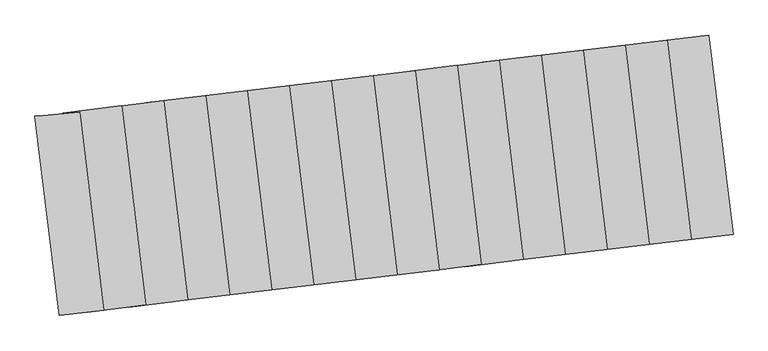
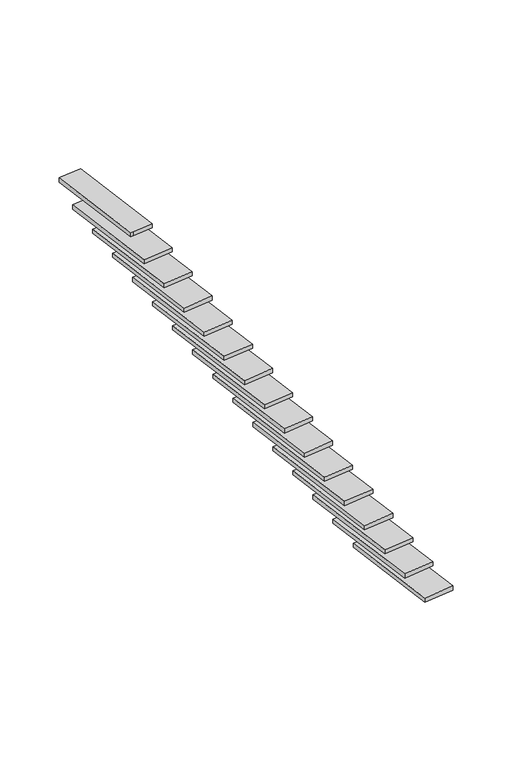
"""IFC4 building model written with IfcOpenShell, lengths in millimetres: stair flight geometry."""

from ifc_helpers import new_model, si_unit, frame, origin, place, context, project, spatial, polyline, outline, extrude, source, transform, mapped, element, save


def stair_flight_ac6dd1c2(model_context):
    return source(origin(), model_context, "Body", "SweptSolid", [
        extrude(outline(polyline([(-135038.0845867, 41648.3290981), (-135123.7489673, 42356.5103635), (-134915.2686979, 42381.7289537), (-134829.6043174, 41673.5476883), (-135038.0845867, 41648.3290981)])), frame((0.0, 0.0, 11338.8973782), z_axis=(0.0, 0.0, 1.0), x_axis=(1.0, 0.0, 0.0)), (0.0, 0.0, 1.0), 30.0),
        extrude(outline(polyline([(-135186.9990648, 41630.3158193), (-135272.6634454, 42338.4970848), (-135064.183176, 42363.715675), (-134978.5187955, 41655.5344095), (-135186.9990648, 41630.3158193)])), frame((0.0, 0.0, 11578.2947564), z_axis=(0.0, 0.0, 1.0), x_axis=(1.0, 0.0, 0.0)), (0.0, 0.0, 1.0), 30.0),
        extrude(outline(polyline([(-135335.9135429, 41612.3025406), (-135421.5779235, 42320.483806), (-135213.0976541, 42345.7023963), (-135127.4332736, 41637.5211308), (-135335.9135429, 41612.3025406)])), frame((0.0, 0.0, 11817.6921346), z_axis=(0.0, 0.0, 1.0), x_axis=(1.0, 0.0, 0.0)), (0.0, 0.0, 1.0), 30.0),
        extrude(outline(polyline([(-135484.828021, 41594.2892619), (-135570.4924016, 42302.4705273), (-135362.0121322, 42327.6891175), (-135276.3477517, 41619.5078521), (-135484.828021, 41594.2892619)])), frame((0.0, 0.0, 12057.0895127), z_axis=(0.0, 0.0, 1.0), x_axis=(1.0, 0.0, 0.0)), (0.0, 0.0, 1.0), 30.0),
        extrude(outline(polyline([(-135633.7424991, 41576.2759831), (-135719.4068797, 42284.4572486), (-135510.9266103, 42309.6758388), (-135425.2622298, 41601.4945734), (-135633.7424991, 41576.2759831)])), frame((0.0, 0.0, 12296.4868909), z_axis=(0.0, 0.0, 1.0), x_axis=(1.0, 0.0, 0.0)), (0.0, 0.0, 1.0), 30.0),
        extrude(outline(polyline([(-135782.6569772, 41558.2627044), (-135868.3213578, 42266.4439699), (-135659.8410885, 42291.6625601), (-135574.1767079, 41583.4812946), (-135782.6569772, 41558.2627044)])), frame((0.0, 0.0, 12535.8842691), z_axis=(0.0, 0.0, 1.0), x_axis=(1.0, 0.0, 0.0)), (0.0, 0.0, 1.0), 30.0),
        extrude(outline(polyline([(-135931.5714553, 41540.2494257), (-136017.2358359, 42248.4306911), (-135808.7555666, 42273.6492814), (-135723.091186, 41565.4680159), (-135931.5714553, 41540.2494257)])), frame((0.0, 0.0, 12775.2816473), z_axis=(0.0, 0.0, 1.0), x_axis=(1.0, 0.0, 0.0)), (0.0, 0.0, 1.0), 30.0),
        extrude(outline(polyline([(-136080.4859334, 41522.236147), (-136166.150314, 42230.4174124), (-135957.6700447, 42255.6360026), (-135872.0056641, 41547.4547372), (-136080.4859334, 41522.236147)])), frame((0.0, 0.0, 13014.6790255), z_axis=(0.0, 0.0, 1.0), x_axis=(1.0, 0.0, 0.0)), (0.0, 0.0, 1.0), 30.0),
        extrude(outline(polyline([(-136229.4004116, 41504.2228682), (-136315.0647921, 42212.4041337), (-136106.5845228, 42237.6227239), (-136020.9201422, 41529.4414585), (-136229.4004116, 41504.2228682)])), frame((0.0, 0.0, 13254.0764037), z_axis=(0.0, 0.0, 1.0), x_axis=(1.0, 0.0, 0.0)), (0.0, 0.0, 1.0), 30.0),
        extrude(outline(polyline([(-136378.3148897, 41486.2095895), (-136463.9792702, 42194.390855), (-136255.4990009, 42219.6094452), (-136169.8346203, 41511.4281797), (-136378.3148897, 41486.2095895)])), frame((0.0, 0.0, 13493.4737818), z_axis=(0.0, 0.0, 1.0), x_axis=(1.0, 0.0, 0.0)), (0.0, 0.0, 1.0), 30.0),
        extrude(outline(polyline([(-136527.2293678, 41468.1963108), (-136612.8937483, 42176.3775762), (-136404.413479, 42201.5961664), (-136318.7490984, 41493.414901), (-136527.2293678, 41468.1963108)])), frame((0.0, 0.0, 13732.87116), z_axis=(0.0, 0.0, 1.0), x_axis=(1.0, 0.0, 0.0)), (0.0, 0.0, 1.0), 30.0),
        extrude(outline(polyline([(-136676.1438459, 41450.1830321), (-136761.8082264, 42158.3642975), (-136553.3279571, 42183.5828877), (-136467.6635765, 41475.4016223), (-136676.1438459, 41450.1830321)])), frame((0.0, 0.0, 13972.2685382), z_axis=(0.0, 0.0, 1.0), x_axis=(1.0, 0.0, 0.0)), (0.0, 0.0, 1.0), 30.0),
        extrude(outline(polyline([(-136825.058324, 41432.1697533), (-136910.7227045, 42140.3510188), (-136702.2424352, 42165.569609), (-136616.5780546, 41457.3883435), (-136825.058324, 41432.1697533)])), frame((0.0, 0.0, 14211.6659164), z_axis=(0.0, 0.0, 1.0), x_axis=(1.0, 0.0, 0.0)), (0.0, 0.0, 1.0), 30.0),
        extrude(outline(polyline([(-136973.9728021, 41414.1564746), (-137059.6371826, 42122.33774), (-136851.1569133, 42147.5563303), (-136765.4925327, 41439.3750648), (-136973.9728021, 41414.1564746)])), frame((0.0, 0.0, 14451.0632946), z_axis=(0.0, 0.0, 1.0), x_axis=(1.0, 0.0, 0.0)), (0.0, 0.0, 1.0), 30.0),
        extrude(outline(polyline([(-137122.8872802, 41396.1431959), (-137208.5516608, 42104.3244613), (-137000.0713914, 42129.5430515), (-136914.4070108, 41421.3617861), (-137122.8872802, 41396.1431959)])), frame((0.0, 0.0, 14690.4606728), z_axis=(0.0, 0.0, 1.0), x_axis=(1.0, 0.0, 0.0)), (0.0, 0.0, 1.0), 30.0),
        extrude(outline(polyline([(-137222.1635989, 41384.1343434), (-137307.8279795, 42092.3156088), (-137297.9003476, 42093.5164941), (-137148.5029679, 42107.5376599), (-137063.1623934, 41402.033276), (-137204.0082285, 41386.3304881), (-137222.1635989, 41384.1343434)])), frame((0.0, 0.0, 14929.8580509), z_axis=(0.0, 0.0, 1.0), x_axis=(1.0, 0.0, 0.0)), (0.0, 0.0, 1.0), 30.0),
    ])


if __name__ == "__main__":
    model = new_model("IFC4")
    model_context = context("Model", 3, world=origin())
    ifc_project = project(units=[si_unit("LENGTHUNIT", "METRE", prefix="MILLI")], contexts=[model_context])
    site = spatial("IfcSite", under=ifc_project)
    building = spatial("IfcBuilding", under=site)
    placement = place(None, origin())
    stair_flight_shape = stair_flight_ac6dd1c2(model_context)
    element("IfcStairFlight", 1, at=placement, inside=building, context=model_context, shape_type="MappedRepresentation", body=[
        mapped(stair_flight_shape, transform((0.0, 0.0, 0.0), x_axis=(1.0, 0.0, 0.0), y_axis=(0.0, 1.0, 0.0), z_axis=(0.0, 0.0, 1.0))),
    ])
    save(model, "model.ifc")
